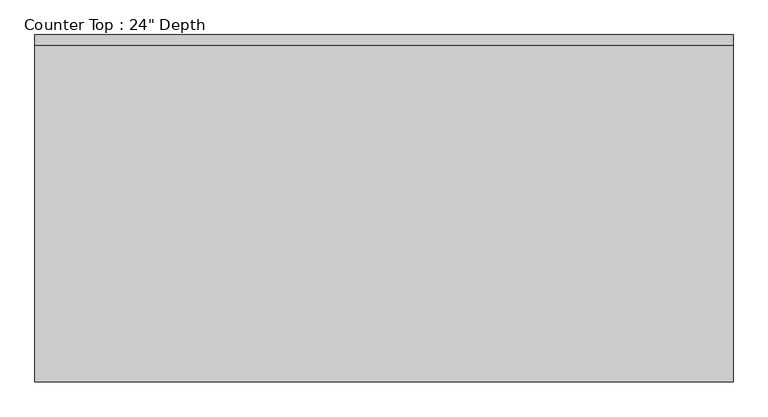
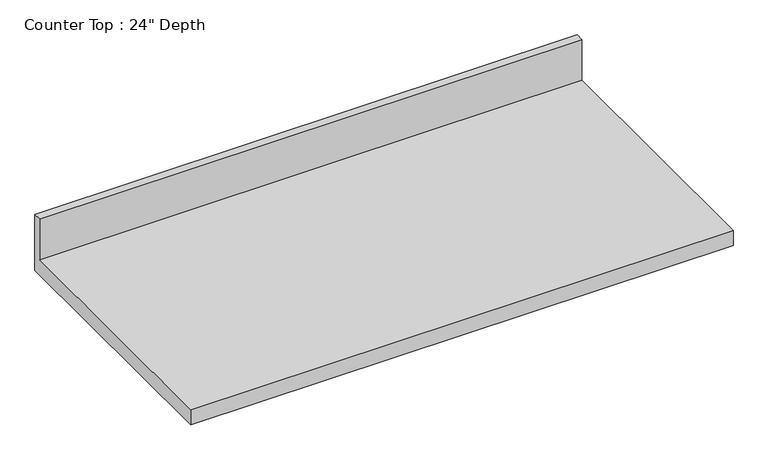
"""IFC4 building model written with IfcOpenShell, lengths in millimetres: furniture geometry."""

from ifc_helpers import new_model, si_unit, frame, origin, place, context, project, spatial, polyline, outline, extrude, source, transform, mapped, element, save


def furniture_4b95a520(model_context):
    return source(origin(), model_context, "Body", "SweptSolid", [
        extrude(outline(polyline([(0.0, 1016.0), (0.0, 876.3), (-635.0, 876.3), (-635.0, 914.4), (-19.05, 914.4), (-19.05, 1016.0), (0.0, 1016.0)])), frame((-1200.4622951, 0.0, 0.0), z_axis=(1.0, 0.0, 0.0), x_axis=(0.0, 1.0, 0.0)), (0.0, 0.0, 1.0), 1276.4430219),
    ])


if __name__ == "__main__":
    model = new_model("IFC4")
    model_context = context("Model", 3, world=origin())
    ifc_project = project(units=[si_unit("LENGTHUNIT", "METRE", prefix="MILLI")], contexts=[model_context])
    site = spatial("IfcSite", under=ifc_project)
    building = spatial("IfcBuilding", under=site)
    placement = place(None, origin())
    furniture_shape = furniture_4b95a520(model_context)
    element("IfcFurniture", 1, ObjectType="Counter Top : 24\" Depth", at=placement, inside=building, context=model_context, shape_type="MappedRepresentation", body=[
        mapped(furniture_shape, transform((0.0, 0.0, 0.0), x_axis=(1.0, 0.0, 0.0), y_axis=(0.0, 1.0, 0.0), z_axis=(0.0, 0.0, 1.0))),
    ])
    save(model, "model.ifc")
